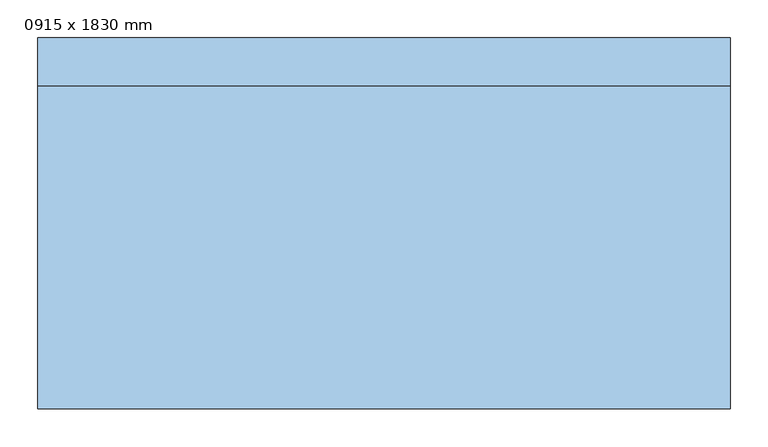
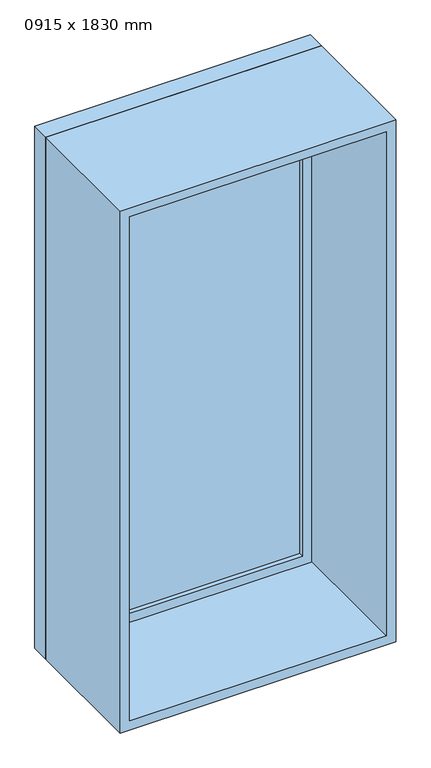
"""IFC4 building model written with IfcOpenShell, lengths in millimetres: window geometry, 0915 x 1830 mm."""

from ifc_helpers import new_model, si_unit, frame, origin, place, context, project, spatial, polyline, outline, extrude, source, transform, mapped, element, save


def window_0915_x_1830_mm_681a3553(model_context):
    return source(origin(), model_context, "Body", "SweptSolid", [
        extrude(outline(polyline([(-394.5, 223.0), (394.5, 223.0), (394.5, 211.0), (-394.5, 211.0), (-394.5, 223.0)])), frame((0.0, 0.0, 368.0), z_axis=(0.0, 0.0, 1.0), x_axis=(1.0, 0.0, 0.0)), (0.0, 0.0, 1.0), 1704.0),
        extrude(outline(polyline([(2116.0, -438.5), (324.0, -438.5), (324.0, 438.5), (2116.0, 438.5), (2116.0, -438.5)]), holes=[polyline([(2072.0, -394.5), (2072.0, 394.5), (368.0, 394.5), (368.0, -394.5), (2072.0, -394.5)])]), frame((0.0, 195.0, 0.0), z_axis=(0.0, 1.0, 0.0), x_axis=(0.0, 0.0, 1.0)), (0.0, 0.0, 1.0), 44.0),
        extrude(outline(polyline([(2135.0, -457.5), (305.0, -457.5), (305.0, 457.5), (2135.0, 457.5), (2135.0, -457.5)]), holes=[polyline([(2116.0, -438.5), (2116.0, 438.5), (324.0, 438.5), (324.0, -438.5), (2116.0, -438.5)])]), frame((0.0, 195.0, 0.0), z_axis=(0.0, 1.0, 0.0), x_axis=(0.0, 0.0, 1.0)), (0.0, 0.0, 1.0), 63.0),
        extrude(outline(polyline([(2135.0, -457.5), (305.0, -457.5), (305.0, 457.5), (2135.0, 457.5), (2135.0, -457.5)]), holes=[polyline([(2103.0, -425.5), (2103.0, 425.5), (337.0, 425.5), (337.0, -425.5), (2103.0, -425.5)])]), frame((0.0, -232.0, 0.0), z_axis=(0.0, 1.0, 0.0), x_axis=(0.0, 0.0, 1.0)), (0.0, 0.0, 1.0), 427.0),
    ])


if __name__ == "__main__":
    model = new_model("IFC4")
    model_context = context("Model", 3, world=origin())
    ifc_project = project(units=[si_unit("LENGTHUNIT", "METRE", prefix="MILLI")], contexts=[model_context])
    site = spatial("IfcSite", under=ifc_project)
    building = spatial("IfcBuilding", under=site)
    placement = place(None, origin())
    window_0915_x_1830_mm_shape = window_0915_x_1830_mm_681a3553(model_context)
    element("IfcWindow", 1, ObjectType="0915 x 1830 mm", at=placement, inside=building, context=model_context, shape_type="MappedRepresentation", body=[
        mapped(window_0915_x_1830_mm_shape, transform((0.0, 0.0, 0.0), x_axis=(1.0, 0.0, 0.0), y_axis=(0.0, 1.0, 0.0), z_axis=(0.0, 0.0, 1.0))),
    ])
    save(model, "model.ifc")
